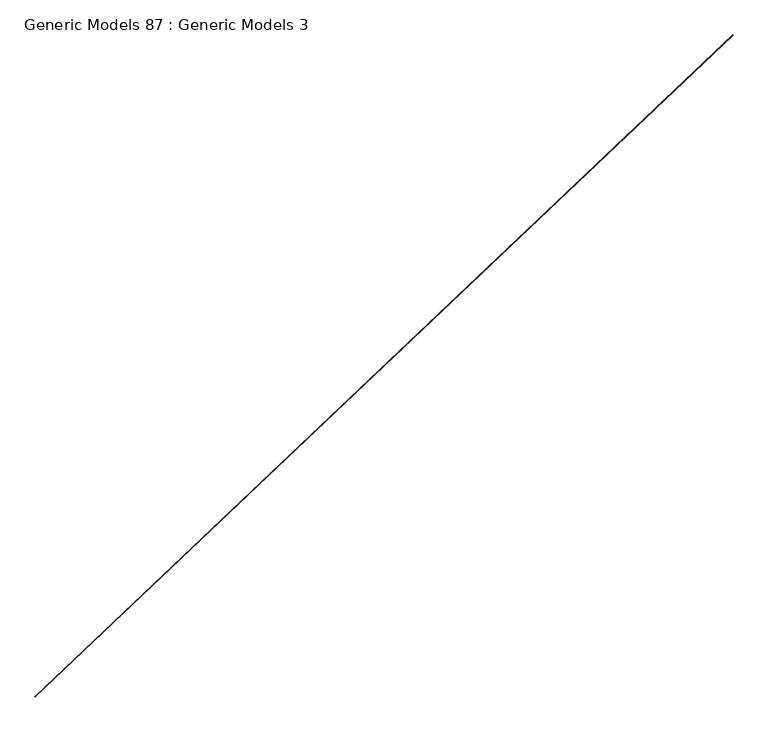
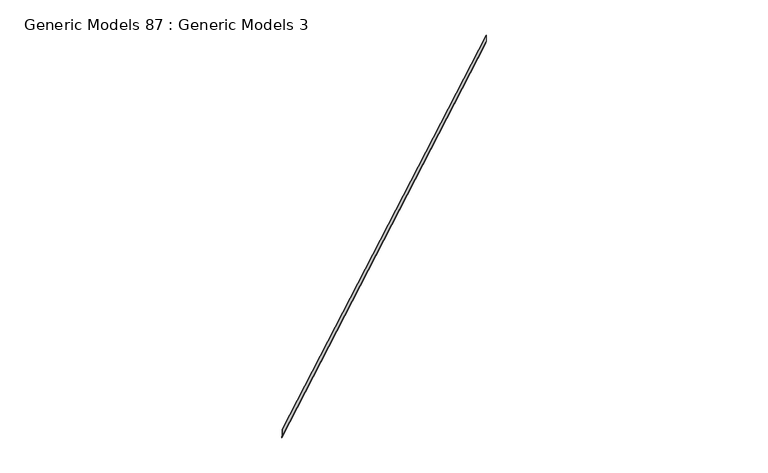
"""IFC4 building model written with IfcOpenShell, lengths in millimetres: proxy geometry, Generic Models 87 : Generic Models 3."""

from ifc_helpers import new_model, si_unit, frame, origin, place, context, project, spatial, polyline, outline, extrude, source, transform, mapped, element, save


def generic_models_87_generic_models_3_ba00393b(model_context):
    return source(origin(), model_context, "Body", "SweptSolid", [
        extrude(outline(polyline([(-12.8532676, 0.0), (-5.8406602, 7.0126074), (192.6487149, 7.0126074), (192.6487149, 5.4251074), (-5.1830962, 5.4251074), (-12.1957036, -1.5875), (-61.4328792, -1.5875), (-61.4328792, 0.0), (-12.8532676, 0.0)])), frame((103273.01246, 40920.8479984, 18165.9367673), z_axis=(0.7253743710122779, 0.6883545756937643, 0.0), x_axis=(0.0, 0.0, 1.0)), (0.0, 0.0, 1.0), 17560.925),
    ])


if __name__ == "__main__":
    model = new_model("IFC4")
    model_context = context("Model", 3, world=origin())
    ifc_project = project(units=[si_unit("LENGTHUNIT", "METRE", prefix="MILLI")], contexts=[model_context])
    site = spatial("IfcSite", under=ifc_project)
    building = spatial("IfcBuilding", under=site)
    placement = place(None, origin())
    generic_models_87_generic_models_3_shape = generic_models_87_generic_models_3_ba00393b(model_context)
    element("IfcBuildingElementProxy", 1, Name="Generic Models 87 : Generic Models 3", ObjectType="Generic Models 87 : Generic Models 3", at=placement, inside=building, context=model_context, shape_type="MappedRepresentation", body=[
        mapped(generic_models_87_generic_models_3_shape, transform((0.0, 0.0, 0.0), x_axis=(1.0, 0.0, 0.0), y_axis=(0.0, 1.0, 0.0), z_axis=(0.0, 0.0, 1.0))),
    ])
    save(model, "model.ifc")
